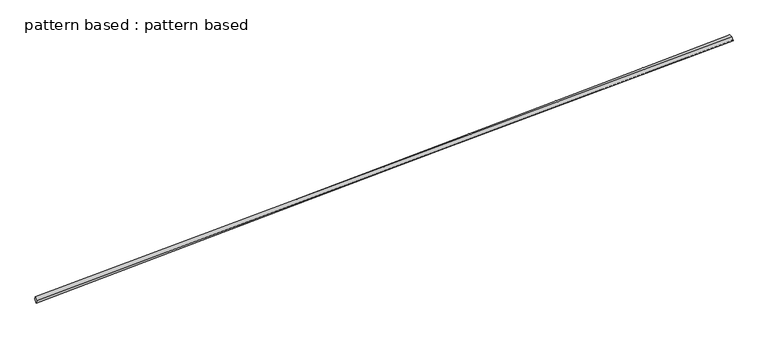
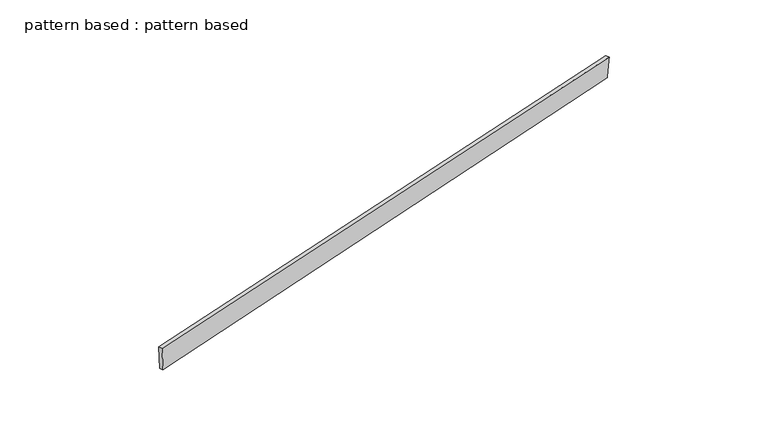
"""IFC4 building model written with IfcOpenShell, lengths in millimetres: plate geometry, pattern based : pattern based."""

import ifcopenshell
import ifcopenshell.guid

model = None  # the IFC model being written
_history = None  # IfcOwnerHistory: only IFC2X3 demands one
_inside = {}  # id of a spatial element -> (the spatial element, [elements in it])
_under = {}  # id of a project, library or spatial element -> (it, [spatial elements below it])
_declared = {}  # id of a project -> (the project, [libraries it declares])
_typed = {}  # id of a type object -> (the type object, [elements of that type])
_made_of = {}  # id of a material, layer set ... -> (it, [elements and type objects made of it])


def new_model(schema):
    """Start an empty IFC model of exactly this schema.

    Asked for "IFC4X3", IfcOpenShell would pick the latest addendum, in which some entities
    have other attributes; the version numbers below select the first issue.
    IFC2X3 requires an IfcOwnerHistory on every rooted entity: one is made here for all.
    """
    global model, _history
    if schema == "IFC4X3":
        model = ifcopenshell.file(schema_version=(4, 3, 0, 0))
    else:
        model = ifcopenshell.file(schema=schema)
    _inside.clear()
    _under.clear()
    _declared.clear()
    _typed.clear()
    _made_of.clear()
    _history = None
    if model.schema == "IFC2X3":
        org = make("IfcOrganization", Name="unknown")
        user = make(
            "IfcPersonAndOrganization",
            ThePerson=make("IfcPerson", FamilyName="unknown"),
            TheOrganization=org,
        )
        app = make(
            "IfcApplication",
            ApplicationDeveloper=org,
            Version="unknown",
            ApplicationFullName="unknown",
            ApplicationIdentifier="unknown",
        )
        _history = make(
            "IfcOwnerHistory",
            OwningUser=user,
            OwningApplication=app,
            ChangeAction="ADDED",
            CreationDate=0,
        )
    return model


def make(cls, **values):
    """One entity of the class cls with the attributes given. An attribute that is None is left unset."""
    return model.create_entity(
        cls, **{name: value for name, value in values.items() if value is not None}
    )


def rooted(cls, **values):
    """An entity with a GlobalId (a new one), such as an element, a storey or a relation."""
    return make(cls, GlobalId=ifcopenshell.guid.new(), OwnerHistory=_history, **values)


def si_unit(unit_type, name, prefix=None):
    """IfcSIUnit, for example si_unit("LENGTHUNIT", "METRE", prefix="MILLI")."""
    return make("IfcSIUnit", UnitType=unit_type, Prefix=prefix, Name=name)


def assignment(units):
    """IfcUnitAssignment: the units of a project."""
    return None if units is None else make("IfcUnitAssignment", Units=units)


def point(xyz):
    """IfcCartesianPoint."""
    return None if xyz is None else make("IfcCartesianPoint", Coordinates=xyz)


def direction(xyz):
    """IfcDirection."""
    return None if xyz is None else make("IfcDirection", DirectionRatios=xyz)


def frame(location, z_axis=None, x_axis=None):
    """IfcAxis2Placement3D, a coordinate frame: its origin and axes. An axis left out is left unset."""
    return make(
        "IfcAxis2Placement3D",
        Location=point(location),
        Axis=direction(z_axis),
        RefDirection=direction(x_axis),
    )


def origin():
    """The frame at (0, 0, 0) with its axes left unset."""
    return frame((0.0, 0.0, 0.0))


def place(relative_to, where):
    """IfcLocalPlacement: puts the frame where relative to a parent placement (None: the world)."""
    return make(
        "IfcLocalPlacement", PlacementRelTo=relative_to, RelativePlacement=where
    )


def context(
    kind, dimensions, precision=None, world=None, true_north=None, identifier=None
):
    """IfcGeometricRepresentationContext, for example the 3D "Model" context."""
    return make(
        "IfcGeometricRepresentationContext",
        ContextIdentifier=identifier,
        ContextType=kind,
        CoordinateSpaceDimension=dimensions,
        Precision=precision,
        WorldCoordinateSystem=world,
        TrueNorth=true_north,
    )


def project(units=None, contexts=None):
    """IfcProject with its units and contexts."""
    return rooted(
        "IfcProject",
        Name="project",
        RepresentationContexts=contexts,
        UnitsInContext=assignment(units),
    )


def spatial(cls, under=None, at=None, **own):
    """A site, building, storey or space (cls), placed at a placement, below another one or the project."""
    s = rooted(cls, ObjectPlacement=at, **own)
    if under is not None:
        _under.setdefault(under.id(), (under, []))[1].append(s)
    return s


def shape(context_of_items, identifier, shape_type, items):
    """IfcShapeRepresentation: the items that make up one representation, for example the "Body"."""
    return make(
        "IfcShapeRepresentation",
        ContextOfItems=context_of_items,
        RepresentationIdentifier=identifier,
        RepresentationType=shape_type,
        Items=items,
    )


def source(mapping_origin, context_of_items, identifier, shape_type, items):
    """IfcRepresentationMap: a shape defined once, which mapped items show again and again."""
    return make(
        "IfcRepresentationMap",
        MappingOrigin=mapping_origin,
        MappedRepresentation=shape(context_of_items, identifier, shape_type, items),
    )


def transform(
    local_origin,
    x_axis=None,
    y_axis=None,
    z_axis=None,
    scale=None,
    scale2=None,
    scale3=None,
    uniform=True,
):
    """IfcCartesianTransformationOperator3D, or its non-uniform kind. x_axis, y_axis, z_axis: its Axis1, 2, 3."""
    if uniform:
        return make(
            "IfcCartesianTransformationOperator3D",
            Axis1=direction(x_axis),
            Axis2=direction(y_axis),
            LocalOrigin=point(local_origin),
            Scale=scale,
            Axis3=direction(z_axis),
        )
    return make(
        "IfcCartesianTransformationOperator3DnonUniform",
        Axis1=direction(x_axis),
        Axis2=direction(y_axis),
        LocalOrigin=point(local_origin),
        Scale=scale,
        Axis3=direction(z_axis),
        Scale2=scale2,
        Scale3=scale3,
    )


def mapped(mapping_source, mapping_target):
    """IfcMappedItem: shows the shape of a source again, moved by a transform."""
    return make(
        "IfcMappedItem", MappingSource=mapping_source, MappingTarget=mapping_target
    )


def made_of(thing, what):
    """Note that an element or type object is made of a material, layer set ...; save() writes the relation."""
    if what is not None:
        _made_of.setdefault(what.id(), (what, []))[1].append(thing)
    return thing


def element(
    cls,
    number,
    at=None,
    inside=None,
    cuts=None,
    type_object=None,
    material=None,
    context=None,
    identifier="Body",
    shape_type=None,
    held_by="IfcProductDefinitionShape",
    body=None,
    shapes=None,
    **own,
):
    """One element of the class cls, such as IfcWall. Its Tag is "e" and its number.

    at: its placement. inside: the storey or other place that contains it. cuts: it is an
    opening in that element (IfcRelVoidsElement). A single representation is given by context,
    identifier, shape_type and body (its items); several are given by shapes. held_by: the class
    of the entity that holds the representations. save() writes the other relations.
    """
    e = rooted(cls, Tag="e%d" % number, ObjectPlacement=at, **own)
    if body is not None:
        shapes = [shape(context, identifier, shape_type, body)]
    if shapes is not None:
        e.Representation = make(held_by, Representations=shapes)
    if inside is not None:
        _inside.setdefault(inside.id(), (inside, []))[1].append(e)
    if cuts is not None:
        rooted(
            "IfcRelVoidsElement", RelatingBuildingElement=cuts, RelatedOpeningElement=e
        )
    if type_object is not None:
        _typed.setdefault(type_object.id(), (type_object, []))[1].append(e)
    return made_of(e, material)


def aggregate(whole, parts):
    """IfcRelAggregates: a whole, such as a stair, and the parts it consists of."""
    return rooted("IfcRelAggregates", RelatingObject=whole, RelatedObjects=parts)


def save(model, path):
    """Write the relations noted so far, then the file.

    IfcRelAggregates (storeys below a building ...), IfcRelContainedInSpatialStructure (elements
    in a storey), IfcRelDefinesByType, IfcRelAssociatesMaterial and IfcRelDeclares: one each for
    every whole, place, type object, material and project.
    """
    for whole, parts in _under.values():
        aggregate(whole, parts)
    for where, things in _inside.values():
        rooted(
            "IfcRelContainedInSpatialStructure",
            RelatedElements=things,
            RelatingStructure=where,
        )
    for kind, things in _typed.values():
        rooted("IfcRelDefinesByType", RelatedObjects=things, RelatingType=kind)
    for what, things in _made_of.values():
        rooted("IfcRelAssociatesMaterial", RelatedObjects=things, RelatingMaterial=what)
    for by, libraries in _declared.values():
        rooted("IfcRelDeclares", RelatingContext=by, RelatedDefinitions=libraries)
    model.write(path)


def plane_surface(at):
    """IfcPlane: the flat surface through the origin of the frame at, square to its z axis."""
    return make("IfcPlane", Position=at)


def spline_surface(u_degree, v_degree, points, u_multiplicities, v_multiplicities, u_knots, v_knots, weights=None):
    """IfcBSplineSurfaceWithKnots; with weights, IfcRationalBSplineSurfaceWithKnots. points: one row for each step in u."""
    own = dict(
        UDegree=u_degree,
        VDegree=v_degree,
        ControlPointsList=[[point(p) for p in row] for row in points],
        SurfaceForm="UNSPECIFIED",
        UClosed=False,
        VClosed=False,
        SelfIntersect=False,
        UMultiplicities=u_multiplicities,
        VMultiplicities=v_multiplicities,
        UKnots=u_knots,
        VKnots=v_knots,
        KnotSpec="UNSPECIFIED",
    )
    if weights is None:
        return make("IfcBSplineSurfaceWithKnots", **own)
    return make("IfcRationalBSplineSurfaceWithKnots", WeightsData=weights, **own)


def advanced_brep(points, edges, surfaces, faces):
    """IfcAdvancedBrep: a solid bounded by faces that lie on surfaces and meet in shared edges.

    An edge is (start, end): straight between two places in points (the first is 0);
    or (start, end, curve); or (start, end, curve, False) where it runs against its curve.
    A face is (place in surfaces, loops), or (place, loops, False) where it looks against
    its surface's normal. A loop lists edges by number (the first is 1), with a minus sign
    where the edge is run from its end to its start. The first loop is the outer one.
    """
    corners = [point(p) for p in points]
    vertices = [make("IfcVertexPoint", VertexGeometry=c) for c in corners]
    made = []
    for start, end, *more in edges:
        made.append(
            make(
                "IfcEdgeCurve",
                EdgeStart=vertices[start],
                EdgeEnd=vertices[end],
                EdgeGeometry=more[0] if more else make("IfcPolyline", Points=[corners[start], corners[end]]),
                SameSense=more[1] if len(more) > 1 else True,
            )
        )
    hull = []
    for where, loops, *sense in faces:
        bounds = []
        for j, loop in enumerate(loops):
            ring = [make("IfcOrientedEdge", EdgeElement=made[abs(k) - 1], Orientation=k > 0) for k in loop]
            bounds.append(
                make(
                    "IfcFaceOuterBound" if j == 0 else "IfcFaceBound",
                    Bound=make("IfcEdgeLoop", EdgeList=ring),
                    Orientation=True,
                )
            )
        hull.append(make("IfcAdvancedFace", Bounds=bounds, FaceSurface=surfaces[where], SameSense=sense[0] if sense else True))
    return make("IfcAdvancedBrep", Outer=make("IfcClosedShell", CfsFaces=hull))


def pattern_based_pattern_based_2ace1193(model_context):
    return source(origin(), model_context, "Body", "AdvancedBrep", [
        advanced_brep(
        [(2909.373699, 2909.373699, 70.4074291), (2910.3982318, 2921.0298939, 219.9503441), (2901.5857776, 2944.425079, 220.027593), (2900.5612448, 2932.7688841, 70.4846779), (6804.1066883, 4376.408693, 78.2130793), (6795.294234, 4399.803878, 78.2903281), (6795.266425, 4385.3363587, -71.2598164), (6786.4539708, 4408.7315437, -71.1825675)],
        [
            (0, 1),
            (1, 2),
            (2, 3),
            (3, 0),
            (1, 4),
            (4, 5),
            (5, 2),
            (4, 6),
            (6, 7),
            (7, 5),
            (6, 0),
            (3, 7),
        ],
        [
            plane_surface(frame((2909.8859654, 2915.2017965, 145.1788866), z_axis=(-0.9352378820654627, -0.35239549588659397, 0.03387504138078149), x_axis=(0.006830218407664205, 0.07770796609829404, 0.9969527672469595))),
            plane_surface(frame((4857.25246, 3648.7192935, 149.0817117), z_axis=(0.03297157410097181, 0.00911969213469463, 0.9994146819597324), x_axis=(0.9361612073860363, 0.3499155596584326, -0.03407777713473739))),
            plane_surface(frame((6799.6865567, 4380.8725258, 3.4766315), z_axis=(0.9352250370092027, 0.35239194303958143, -0.03426439306224564), x_axis=(-0.05893508828408723, 0.059517771467648875, -0.9964859709240625))),
            plane_surface(frame((4852.320062, 3647.3550289, -0.4261937), z_axis=(-0.032971574100972, -0.009119692134694709, -0.9994146819597323), x_axis=(-0.9342951688247865, -0.3548694931943536, 0.034061419680430326))),
            spline_surface(1, 1, [[(2901.5857776, 2944.425079, 220.027593), (2900.5612448, 2932.7688841, 70.4846779)], [(6795.294234, 4399.803878, 78.2903281), (6786.4539708, 4408.7315437, -71.1825675)]], [2, 2], [2, 2], [0.0, 1.0], [0.0, 1.0]),
            spline_surface(1, 1, [[(6795.266425, 4385.3363587, -71.2598164), (2909.373699, 2909.373699, 70.4074291)], [(6804.1066883, 4376.408693, 78.2130793), (2910.3982318, 2921.0298939, 219.9503441)]], [2, 2], [2, 2], [0.0, 1.0], [0.0, 1.0]),
        ],
        [
            (0, [[1, 2, 3, 4]]),
            (1, [[5, 6, 7, -2]]),
            (2, [[8, 9, 10, -6]]),
            (3, [[11, -4, 12, -9]]),
            (4, [[-3, -7, -10, -12]]),
            (5, [[-11, -8, -5, -1]]),
        ],
    ),
    ])


if __name__ == "__main__":
    model = new_model("IFC4")
    model_context = context("Model", 3, world=origin())
    ifc_project = project(units=[si_unit("LENGTHUNIT", "METRE", prefix="MILLI")], contexts=[model_context])
    site = spatial("IfcSite", under=ifc_project)
    building = spatial("IfcBuilding", under=site)
    placement = place(None, origin())
    pattern_based_pattern_based_shape = pattern_based_pattern_based_2ace1193(model_context)
    element("IfcPlate", 1, ObjectType="pattern based : pattern based", at=placement, inside=building, context=model_context, shape_type="MappedRepresentation", body=[
        mapped(pattern_based_pattern_based_shape, transform((0.0, 0.0, 0.0), x_axis=(1.0, 0.0, 0.0), y_axis=(0.0, 1.0, 0.0), z_axis=(0.0, 0.0, 1.0))),
    ])
    save(model, "model.ifc")
